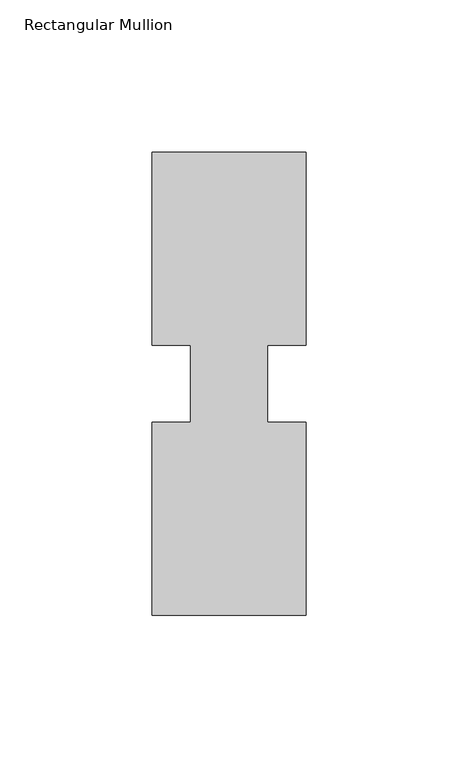
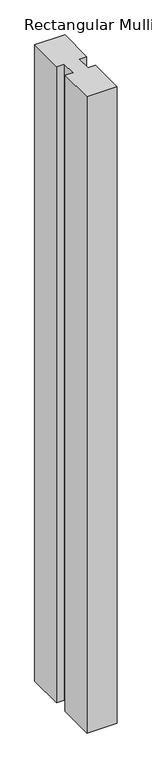
"""IFC4 building model written with IfcOpenShell, lengths in millimetres: member geometry, Rectangular Mullion."""

from ifc_helpers import new_model, si_unit, frame, origin, place, context, project, spatial, polyline, outline, extrude, source, transform, mapped, element, save


def rectangular_mullion_5d2a9f79(model_context):
    return source(origin(), model_context, "Body", "SweptSolid", [
        extrude(outline(polyline([(29.7344027, 76.2), (29.7344027, 12.7), (17.0326322, 12.7), (17.0326322, -12.7), (29.7344027, -12.7), (29.7344027, -76.2), (-21.0655973, -76.2), (-21.0655973, -12.7), (-8.3655973, -12.7), (-8.3655973, 12.7), (-21.0655973, 12.7), (-21.0655973, 76.2), (29.7344027, 76.2)])), frame((0.0, 0.0, -1130.3), z_axis=(0.0, 0.0, 1.0), x_axis=(1.0, 0.0, 0.0)), (0.0, 0.0, 1.0), 1130.3),
    ])


if __name__ == "__main__":
    model = new_model("IFC4")
    model_context = context("Model", 3, world=origin())
    ifc_project = project(units=[si_unit("LENGTHUNIT", "METRE", prefix="MILLI")], contexts=[model_context])
    site = spatial("IfcSite", under=ifc_project)
    building = spatial("IfcBuilding", under=site)
    placement = place(None, origin())
    rectangular_mullion_shape = rectangular_mullion_5d2a9f79(model_context)
    element("IfcMember", 1, ObjectType="Rectangular Mullion", at=placement, inside=building, context=model_context, shape_type="MappedRepresentation", body=[
        mapped(rectangular_mullion_shape, transform((0.0, 0.0, 0.0), x_axis=(1.0, 0.0, 0.0), y_axis=(0.0, 1.0, 0.0), z_axis=(0.0, 0.0, 1.0))),
    ])
    save(model, "model.ifc")
